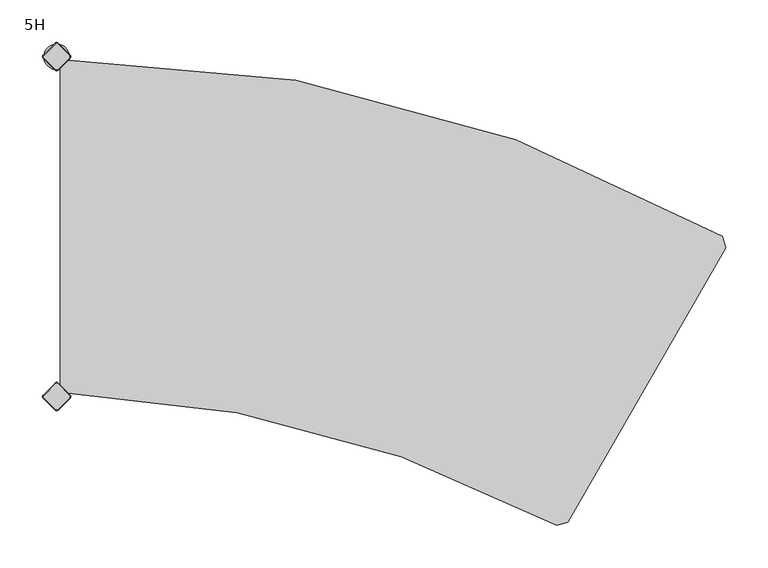
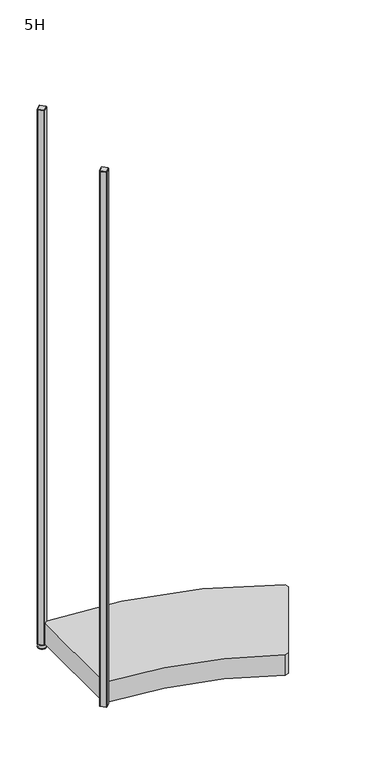
"""IFC4 building model written with IfcOpenShell, lengths in millimetres: furniture geometry, 5H."""

from ifc_helpers import new_model, si_unit, point, frame, frame_2d, origin, place, context, project, spatial, polyline, circle_curve, trimmed, segment, composite_curve, outline, extrude, source, transform, mapped, element, save
from ifc_brep_helpers import plane_surface, cylinder_surface, revolved_surface, advanced_brep


def furniture_5h_bc32fafe(model_context):
    return source(origin(), model_context, "Body", "SolidModel", [
        advanced_brep(
        [(-1.2020815, -384.6557828, 2117.0), (-15.3442172, -398.7979185, 2117.0), (-15.3442172, -401.2020815, 2117.0), (-1.2020815, -415.3442172, 2117.0), (1.2020815, -415.3442172, 2117.0), (15.3442172, -401.2020815, 2117.0), (15.3442172, -398.7979185, 2117.0), (1.2020815, -384.6557828, 2117.0), (-1.767767, -384.0900974, 2115.0), (1.767767, -384.0900974, 2115.0), (15.9099026, -398.232233, 2115.0), (15.9099026, -401.767767, 2115.0), (1.767767, -415.9099026, 2115.0), (-1.767767, -415.9099026, 2115.0), (-15.9099026, -401.767767, 2115.0), (-15.9099026, -398.232233, 2115.0)],
        [
            (0, 1),
            (1, 2, circle_curve(frame((-14.1421356, -400.0, 2117.0), z_axis=(0.0, 0.0, 1.0), x_axis=(-0.7071067811865537, 0.7071067811865414, 0.0)), 1.7)),
            (2, 3),
            (3, 4, circle_curve(frame((0.0, -414.1421356, 2117.0), z_axis=(0.0, 0.0, 1.0), x_axis=(-0.7071067811865491, -0.707106781186546, 0.0)), 1.7)),
            (4, 5),
            (5, 6, circle_curve(frame((14.1421356, -400.0, 2117.0), z_axis=(0.0, 0.0, 1.0), x_axis=(0.707106781186539, -0.7071067811865559, 0.0)), 1.7)),
            (6, 7),
            (7, 0, circle_curve(frame((0.0, -385.8578644, 2117.0), z_axis=(0.0, 0.0, 1.0), x_axis=(0.7071067811865458, 0.7071067811865492, 0.0)), 1.7)),
            (8, 9, circle_curve(frame((0.0, -385.8578644, 2115.0), z_axis=(0.0, 0.0, -1.0), x_axis=(0.7071067811865458, 0.7071067811865492, 0.0)), 2.5)),
            (9, 10),
            (10, 11, circle_curve(frame((14.1421356, -400.0, 2115.0), z_axis=(0.0, 0.0, -1.0), x_axis=(0.707106781186539, -0.7071067811865559, 0.0)), 2.5)),
            (11, 12),
            (12, 13, circle_curve(frame((0.0, -414.1421356, 2115.0), z_axis=(0.0, 0.0, -1.0), x_axis=(-0.7071067811865491, -0.707106781186546, 0.0)), 2.5)),
            (13, 14),
            (14, 15, circle_curve(frame((-14.1421356, -400.0, 2115.0), z_axis=(0.0, 0.0, -1.0), x_axis=(-0.7071067811865537, 0.7071067811865414, 0.0)), 2.5)),
            (15, 8),
            (15, 1),
            (0, 8),
            (14, 2),
            (13, 3),
            (12, 4),
            (11, 5),
            (10, 6),
            (9, 7),
        ],
        [
            plane_surface(frame((0.0, -400.0, 2117.0), z_axis=(0.0, 0.0, 1.0), x_axis=(-0.7071067811865486, 0.7071067811865466, 0.0))),
            plane_surface(frame((0.0, -400.0, 2115.0), z_axis=(0.0, 0.0, -1.0), x_axis=(-0.7071067811865486, 0.7071067811865466, 0.0))),
            plane_surface(frame((-8.8388348, -391.1611652, 2115.0), z_axis=(-0.6565321642986406, 0.656532164298628, 0.3713906763540281), x_axis=(-0.7071067811865408, -0.7071067811865543, 0.0))),
            revolved_surface(polyline([(-15.34421716, -398.79791844, 2117.0), (-15.9099026, -398.232233, 2115.0)]), (-14.1421356, -400.0, 2121.25), (0.0, 0.0, -1.0)),
            plane_surface(frame((-8.8388348, -408.8388348, 2115.0), z_axis=(-0.6565321642986325, -0.6565321642986414, 0.3713906763540188), x_axis=(0.7071067811865523, -0.7071067811865428, 0.0))),
            revolved_surface(polyline([(-1.20208156, -415.34421716, 2117.0), (-1.767767, -415.9099026, 2115.0)]), (0.0, -414.1421356, 2121.25), (0.0, 0.0, -1.0)),
            plane_surface(frame((8.8388348, -408.8388348, 2115.0), z_axis=(0.6565321642986457, -0.6565321642986508, 0.3713906763539787), x_axis=(0.7071067811865541, 0.707106781186541, 0.0))),
            revolved_surface(polyline([(15.34421716, -401.20208156, 2117.0), (15.9099026, -401.767767, 2115.0)]), (14.1421356, -400.0, 2121.25), (0.0, 0.0, -1.0)),
            plane_surface(frame((8.8388348, -391.1611652, 2115.0), z_axis=(0.656532164298657, 0.6565321642986371, 0.37139067635398293), x_axis=(-0.7071067811865407, 0.7071067811865545, 0.0))),
            revolved_surface(polyline([(1.20208156, -384.65578284, 2117.0), (1.767767, -384.0900974, 2115.0)]), (0.0, -385.8578644, 2121.25), (0.0, 0.0, -1.0)),
        ],
        [
            (0, [[1, 2, 3, 4, 5, 6, 7, 8]]),
            (1, [[9, 10, 11, 12, 13, 14, 15, 16]]),
            (2, [[-16, 17, -1, 18]]),
            (3, [[-15, 19, -2, -17]]),
            (4, [[-14, 20, -3, -19]]),
            (5, [[-13, 21, -4, -20]]),
            (6, [[-12, 22, -5, -21]]),
            (7, [[-11, 23, -6, -22]]),
            (8, [[-10, 24, -7, -23]]),
            (9, [[-9, -18, -8, -24]]),
        ],
    ),
        extrude(outline(composite_curve([segment(trimmed(circle_curve(frame_2d((14.1421356, -400.0)), 2.5), [point((15.9099026, -398.232233))], [point((15.9099026, -401.767767))], False, "CARTESIAN"), True, "CONTINUOUS"), segment(polyline([(15.9099026, -401.767767), (1.767767, -415.9099026)]), True, "CONTINUOUS"), segment(trimmed(circle_curve(frame_2d((0.0, -414.1421356)), 2.5), [point((1.767767, -415.9099026))], [point((-1.767767, -415.9099026))], False, "CARTESIAN"), True, "CONTINUOUS"), segment(polyline([(-1.767767, -415.9099026), (-15.9099026, -401.767767)]), True, "CONTINUOUS"), segment(trimmed(circle_curve(frame_2d((-14.1421356, -400.0)), 2.5), [point((-15.9099026, -401.767767))], [point((-15.9099026, -398.232233))], False, "CARTESIAN"), True, "CONTINUOUS"), segment(polyline([(-15.9099026, -398.232233), (-1.767767, -384.0900974)]), True, "CONTINUOUS"), segment(trimmed(circle_curve(frame_2d((0.0, -385.8578644)), 2.5), [point((-1.767767, -384.0900974))], [point((1.767767, -384.0900974))], False, "CARTESIAN"), True, "CONTINUOUS"), segment(polyline([(1.767767, -384.0900974), (15.9099026, -398.232233)]), True, "CONTINUOUS")], self_intersect=False)), frame((0.0, 0.0, 15.0), z_axis=(0.0, 0.0, 1.0), x_axis=(1.0, 0.0, 0.0)), (0.0, 0.0, 1.0), 2100.0),
        advanced_brep(
        [(-15.0, 0.0, 0.0), (15.0, 0.0, 0.0), (0.0, 0.0, 0.0), (-15.0, 0.0, 2.0), (15.0, 0.0, 2.0), (-8.0, 0.0, 9.0), (8.0, 0.0, 9.0), (-4.0, 0.0, 9.0), (4.0, 0.0, 9.0), (-4.0, 0.0, 15.0), (4.0, 0.0, 15.0), (0.0, 0.0, 15.0)],
        [
            (0, 1, circle_curve(frame((0.0, 0.0, 0.0), z_axis=(0.0, 0.0, -1.0), x_axis=(1.0, 0.0, 0.0)), 15.0)),
            (1, 2),
            (2, 0),
            (1, 0, circle_curve(frame((0.0, 0.0, 0.0), z_axis=(0.0, 0.0, -1.0), x_axis=(1.0, 0.0, 0.0)), 15.0)),
            (3, 4, circle_curve(frame((0.0, 0.0, 2.0), z_axis=(0.0, 0.0, -1.0), x_axis=(1.0, 0.0, 0.0)), 15.0)),
            (4, 1),
            (0, 3),
            (4, 3, circle_curve(frame((0.0, 0.0, 2.0), z_axis=(0.0, 0.0, -1.0), x_axis=(1.0, 0.0, 0.0)), 15.0)),
            (5, 6, circle_curve(frame((0.0, 0.0, 9.0), z_axis=(0.0, 0.0, -1.0), x_axis=(1.0, 0.0, 0.0)), 8.0)),
            (6, 4),
            (3, 5),
            (6, 5, circle_curve(frame((0.0, 0.0, 9.0), z_axis=(0.0, 0.0, -1.0), x_axis=(1.0, 0.0, 0.0)), 8.0)),
            (7, 8, circle_curve(frame((0.0, 0.0, 9.0), z_axis=(0.0, 0.0, -1.0), x_axis=(1.0, 0.0, 0.0)), 4.0)),
            (8, 6),
            (5, 7),
            (8, 7, circle_curve(frame((0.0, 0.0, 9.0), z_axis=(0.0, 0.0, -1.0), x_axis=(1.0, 0.0, 0.0)), 4.0)),
            (9, 10, circle_curve(frame((0.0, 0.0, 15.0), z_axis=(0.0, 0.0, -1.0), x_axis=(1.0, 0.0, 0.0)), 4.0)),
            (10, 8),
            (7, 9),
            (10, 9, circle_curve(frame((0.0, 0.0, 15.0), z_axis=(0.0, 0.0, -1.0), x_axis=(1.0, 0.0, 0.0)), 4.0)),
            (11, 10),
            (9, 11),
        ],
        [
            plane_surface(frame((0.0, 0.0, 0.0), z_axis=(0.0, 0.0, -1.0), x_axis=(1.0, 0.0, 0.0))),
            cylinder_surface(frame((0.0, 0.0, 18.6083303), z_axis=(0.0, 0.0, 1.0), x_axis=(1.0, 0.0, 0.0)), 15.0),
            revolved_surface(polyline([(15.0, 0.0, 2.0), (8.0, 0.0, 9.0)]), (0.0, 0.0, 18.6083303), (0.0, 0.0, 1.0)),
            plane_surface(frame((0.0, 0.0, 9.0), z_axis=(0.0, 0.0, 1.0), x_axis=(1.0, 0.0, 0.0))),
            cylinder_surface(frame((0.0, 0.0, 18.6083303), z_axis=(0.0, 0.0, 1.0), x_axis=(1.0, 0.0, 0.0)), 4.0),
            plane_surface(frame((0.0, 0.0, 15.0), z_axis=(0.0, 0.0, 1.0), x_axis=(1.0, 0.0, 0.0))),
        ],
        [
            (0, [[1, 2, 3]]),
            (0, [[4, -3, -2]]),
            (1, [[5, 6, -1, 7]]),
            (1, [[8, -7, -4, -6]]),
            (2, [[9, 10, -5, 11]]),
            (2, [[12, -11, -8, -10]]),
            (3, [[13, 14, -9, 15]]),
            (3, [[16, -15, -12, -14]]),
            (4, [[17, 18, -13, 19]]),
            (4, [[20, -19, -16, -18]]),
            (5, [[21, -17, 22]]),
            (5, [[-22, -20, -21]]),
        ],
    ),
        advanced_brep(
        [(-1.2020815, 15.3442172, 2117.0), (-15.3442172, 1.2020815, 2117.0), (-15.3442172, -1.2020815, 2117.0), (-1.2020815, -15.3442172, 2117.0), (1.2020815, -15.3442172, 2117.0), (15.3442172, -1.2020815, 2117.0), (15.3442172, 1.2020815, 2117.0), (1.2020815, 15.3442172, 2117.0), (-1.767767, 15.9099026, 2115.0), (1.767767, 15.9099026, 2115.0), (15.9099026, 1.767767, 2115.0), (15.9099026, -1.767767, 2115.0), (1.767767, -15.9099026, 2115.0), (-1.767767, -15.9099026, 2115.0), (-15.9099026, -1.767767, 2115.0), (-15.9099026, 1.767767, 2115.0)],
        [
            (0, 1),
            (1, 2, circle_curve(frame((-14.1421356, 0.0, 2117.0), z_axis=(0.0, 0.0, 1.0), x_axis=(-0.7071067811865537, 0.7071067811865414, 0.0)), 1.7)),
            (2, 3),
            (3, 4, circle_curve(frame((0.0, -14.1421356, 2117.0), z_axis=(0.0, 0.0, 1.0), x_axis=(-0.7071067811865491, -0.707106781186546, 0.0)), 1.7)),
            (4, 5),
            (5, 6, circle_curve(frame((14.1421356, 0.0, 2117.0), z_axis=(0.0, 0.0, 1.0), x_axis=(0.707106781186539, -0.7071067811865559, 0.0)), 1.7)),
            (6, 7),
            (7, 0, circle_curve(frame((0.0, 14.1421356, 2117.0), z_axis=(0.0, 0.0, 1.0), x_axis=(0.7071067811865458, 0.7071067811865492, 0.0)), 1.7)),
            (8, 9, circle_curve(frame((0.0, 14.1421356, 2115.0), z_axis=(0.0, 0.0, -1.0), x_axis=(0.7071067811865458, 0.7071067811865492, 0.0)), 2.5)),
            (9, 10),
            (10, 11, circle_curve(frame((14.1421356, 0.0, 2115.0), z_axis=(0.0, 0.0, -1.0), x_axis=(0.707106781186539, -0.7071067811865559, 0.0)), 2.5)),
            (11, 12),
            (12, 13, circle_curve(frame((0.0, -14.1421356, 2115.0), z_axis=(0.0, 0.0, -1.0), x_axis=(-0.7071067811865491, -0.707106781186546, 0.0)), 2.5)),
            (13, 14),
            (14, 15, circle_curve(frame((-14.1421356, 0.0, 2115.0), z_axis=(0.0, 0.0, -1.0), x_axis=(-0.7071067811865537, 0.7071067811865414, 0.0)), 2.5)),
            (15, 8),
            (15, 1),
            (0, 8),
            (14, 2),
            (13, 3),
            (12, 4),
            (11, 5),
            (10, 6),
            (9, 7),
        ],
        [
            plane_surface(frame((0.0, 0.0, 2117.0), z_axis=(0.0, 0.0, 1.0), x_axis=(-0.7071067811865486, 0.7071067811865466, 0.0))),
            plane_surface(frame((0.0, 0.0, 2115.0), z_axis=(0.0, 0.0, -1.0), x_axis=(-0.7071067811865486, 0.7071067811865466, 0.0))),
            plane_surface(frame((-8.8388348, 8.8388348, 2115.0), z_axis=(-0.6565321642986406, 0.656532164298628, 0.3713906763540281), x_axis=(-0.7071067811865408, -0.7071067811865543, 0.0))),
            revolved_surface(polyline([(-15.34421716, 1.20208156, 2117.0), (-15.9099026, 1.767767, 2115.0)]), (-14.1421356, 0.0, 2121.25), (0.0, 0.0, -1.0)),
            plane_surface(frame((-8.8388348, -8.8388348, 2115.0), z_axis=(-0.6565321642986325, -0.6565321642986414, 0.3713906763540188), x_axis=(0.7071067811865523, -0.7071067811865428, 0.0))),
            revolved_surface(polyline([(-1.20208156, -15.34421716, 2117.0), (-1.767767, -15.9099026, 2115.0)]), (0.0, -14.1421356, 2121.25), (0.0, 0.0, -1.0)),
            plane_surface(frame((8.8388348, -8.8388348, 2115.0), z_axis=(0.6565321642986457, -0.6565321642986508, 0.3713906763539787), x_axis=(0.7071067811865541, 0.707106781186541, 0.0))),
            revolved_surface(polyline([(15.34421716, -1.20208156, 2117.0), (15.9099026, -1.767767, 2115.0)]), (14.1421356, 0.0, 2121.25), (0.0, 0.0, -1.0)),
            plane_surface(frame((8.8388348, 8.8388348, 2115.0), z_axis=(0.656532164298657, 0.6565321642986371, 0.37139067635398293), x_axis=(-0.7071067811865407, 0.7071067811865545, 0.0))),
            revolved_surface(polyline([(1.20208156, 15.34421716, 2117.0), (1.767767, 15.9099026, 2115.0)]), (0.0, 14.1421356, 2121.25), (0.0, 0.0, -1.0)),
        ],
        [
            (0, [[1, 2, 3, 4, 5, 6, 7, 8]]),
            (1, [[9, 10, 11, 12, 13, 14, 15, 16]]),
            (2, [[-16, 17, -1, 18]]),
            (3, [[-15, 19, -2, -17]]),
            (4, [[-14, 20, -3, -19]]),
            (5, [[-13, 21, -4, -20]]),
            (6, [[-12, 22, -5, -21]]),
            (7, [[-11, 23, -6, -22]]),
            (8, [[-10, 24, -7, -23]]),
            (9, [[-9, -18, -8, -24]]),
        ],
    ),
        extrude(outline(composite_curve([segment(trimmed(circle_curve(frame_2d((14.1421356, 0.0)), 2.5), [point((15.9099026, 1.767767))], [point((15.9099026, -1.767767))], False, "CARTESIAN"), True, "CONTINUOUS"), segment(polyline([(15.9099026, -1.767767), (1.767767, -15.9099026)]), True, "CONTINUOUS"), segment(trimmed(circle_curve(frame_2d((0.0, -14.1421356)), 2.5), [point((1.767767, -15.9099026))], [point((-1.767767, -15.9099026))], False, "CARTESIAN"), True, "CONTINUOUS"), segment(polyline([(-1.767767, -15.9099026), (-15.9099026, -1.767767)]), True, "CONTINUOUS"), segment(trimmed(circle_curve(frame_2d((-14.1421356, 0.0)), 2.5), [point((-15.9099026, -1.767767))], [point((-15.9099026, 1.767767))], False, "CARTESIAN"), True, "CONTINUOUS"), segment(polyline([(-15.9099026, 1.767767), (-1.767767, 15.9099026)]), True, "CONTINUOUS"), segment(trimmed(circle_curve(frame_2d((0.0, 14.1421356)), 2.5), [point((-1.767767, 15.9099026))], [point((1.767767, 15.9099026))], False, "CARTESIAN"), True, "CONTINUOUS"), segment(polyline([(1.767767, 15.9099026), (15.9099026, 1.767767)]), True, "CONTINUOUS")], self_intersect=False)), frame((0.0, 0.0, 15.0), z_axis=(0.0, 0.0, 1.0), x_axis=(1.0, 0.0, 0.0)), (0.0, 0.0, 1.0), 2100.0),
        extrude(outline(composite_curve([segment(polyline([(4.0, -13.6776695), (13.6776695, -4.0)]), True, "CONTINUOUS"), segment(trimmed(circle_curve(frame_2d((13.6335554, -1537.6291523)), 1533.6291529), [point((13.6776695, -4.0))], [point((783.5775983, -211.2790667))], False, "CARTESIAN"), True, "CONTINUOUS"), segment(polyline([(783.5775983, -211.2790667), (787.1538374, -224.4898611), (601.6615759, -547.6874234), (588.4507815, -551.2636625)]), True, "CONTINUOUS"), segment(trimmed(circle_curve(frame_2d((-36.3064403, -1722.549861)), 1327.4912222), [point((588.4507815, -551.2636625))], [point((13.6776695, -396.0))], True, "CARTESIAN"), True, "CONTINUOUS"), segment(polyline([(13.6776695, -396.0), (4.0, -386.3223305), (4.0, -13.6776695)]), True, "CONTINUOUS")], self_intersect=False)), frame((0.0, 0.0, 16.0), z_axis=(0.0, 0.0, 1.0), x_axis=(1.0, 0.0, 0.0)), (0.0, 0.0, 1.0), 80.0),
    ])


if __name__ == "__main__":
    model = new_model("IFC4")
    model_context = context("Model", 3, world=origin())
    ifc_project = project(units=[si_unit("LENGTHUNIT", "METRE", prefix="MILLI")], contexts=[model_context])
    site = spatial("IfcSite", under=ifc_project)
    building = spatial("IfcBuilding", under=site)
    placement = place(None, origin())
    furniture_5h_shape = furniture_5h_bc32fafe(model_context)
    element("IfcFurniture", 1, ObjectType="5H", at=placement, inside=building, context=model_context, shape_type="MappedRepresentation", body=[
        mapped(furniture_5h_shape, transform((0.0, 0.0, 0.0), x_axis=(1.0, 0.0, 0.0), y_axis=(0.0, 1.0, 0.0), z_axis=(0.0, 0.0, 1.0))),
    ])
    save(model, "model.ifc")
